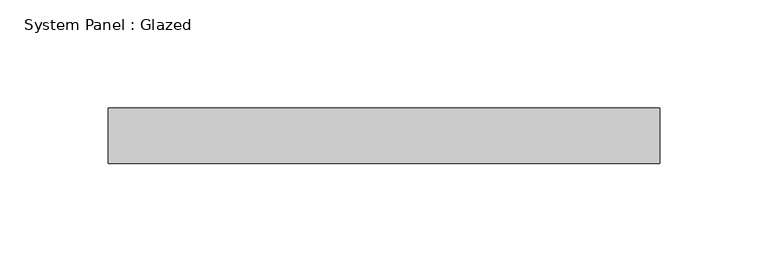
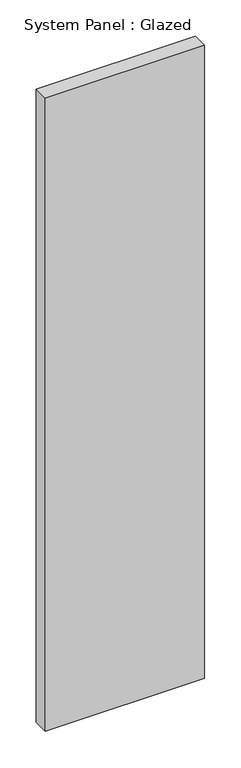
"""IFC4 building model written with IfcOpenShell, lengths in millimetres: plate geometry, System Panel : Glazed."""

from ifc_helpers import new_model, si_unit, origin, origin_with_axes, place, context, project, spatial, polyline, outline, extrude, source, transform, mapped, element, save


def system_panel_glazed_80f7a785(model_context):
    return source(origin(), model_context, "Body", "SweptSolid", [
        extrude(outline(polyline([(127.0, -12.7), (-127.0, -12.7), (-127.0, 12.7), (127.0, 12.7), (127.0, -12.7)])), origin_with_axes(), (0.0, 0.0, 1.0), 1066.8),
    ])


if __name__ == "__main__":
    model = new_model("IFC4")
    model_context = context("Model", 3, world=origin())
    ifc_project = project(units=[si_unit("LENGTHUNIT", "METRE", prefix="MILLI")], contexts=[model_context])
    site = spatial("IfcSite", under=ifc_project)
    building = spatial("IfcBuilding", under=site)
    placement = place(None, origin())
    system_panel_glazed_shape = system_panel_glazed_80f7a785(model_context)
    element("IfcPlate", 1, ObjectType="System Panel : Glazed", at=placement, inside=building, context=model_context, shape_type="MappedRepresentation", body=[
        mapped(system_panel_glazed_shape, transform((0.0, 0.0, 0.0), x_axis=(1.0, 0.0, 0.0), y_axis=(0.0, 1.0, 0.0), z_axis=(0.0, 0.0, 1.0))),
    ])
    save(model, "model.ifc")
